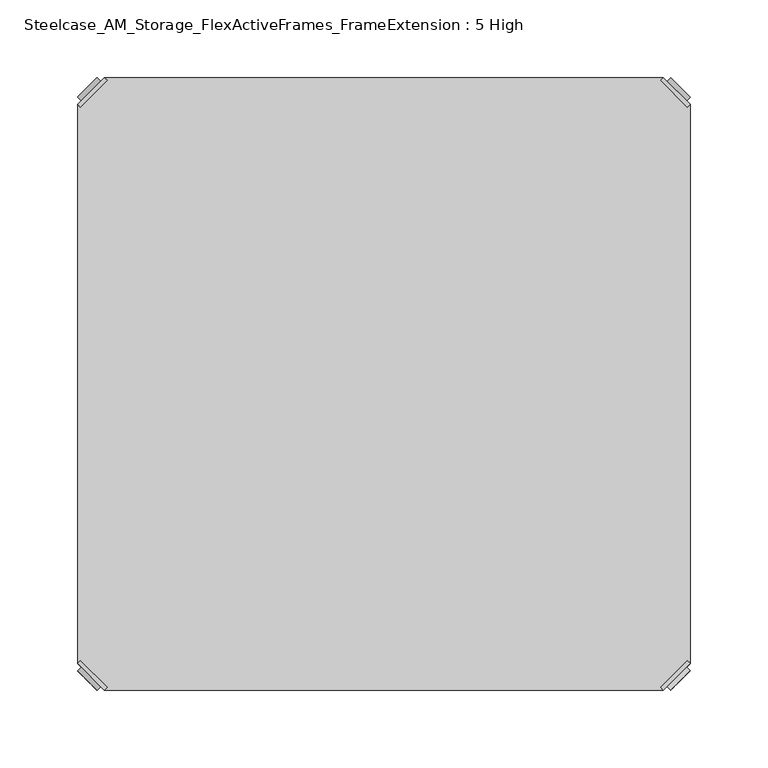
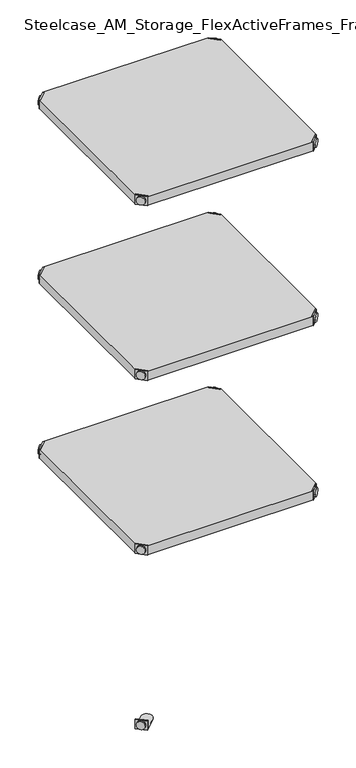
"""IFC4 building model written with IfcOpenShell, lengths in millimetres: furniture geometry, Steelcase_AM_Storage_FlexActiveFrames_FrameExtension : 5 High."""

from ifc_helpers import new_model, si_unit, frame, origin, place, context, project, spatial, polyline, circle_curve, outline, extrude, source, transform, mapped, element, save
from ifc_brep_helpers import plane_surface, cylinder_surface, advanced_brep


def steelcase_am_storage_flexactiveframes_frameextension_5_high_588fb9f3(model_context):
    return source(origin(), model_context, "Body", "SolidModel", [
        advanced_brep(
        [(2.54, -380.2870969, 1725.93), (19.7629031, -397.51, 1725.93), (21.5589544, -395.7139488, 1725.93), (4.3360512, -378.4910456, 1725.93), (2.54, -380.2870969, 1704.594), (19.7629031, -397.51, 1704.594), (4.8652723, -382.6123691, 1715.77), (17.4376309, -395.1847277, 1715.77), (30.2920522, -352.5350447, 1705.61), (4.3360512, -378.4910456, 1705.61), (21.5589544, -395.7139488, 1705.61), (47.5149553, -369.7579478, 1705.61), (30.2920522, -352.5350447, 1704.594), (47.5149553, -369.7579478, 1704.594), (15.1227513, -397.4996073, 1715.77), (2.5503927, -384.9272487, 1715.77)],
        [
            (0, 1),
            (1, 2),
            (2, 3),
            (3, 0),
            (0, 4),
            (4, 5),
            (5, 1),
            (6, 7, circle_curve(frame((11.1514516, -388.8985484, 1715.77), z_axis=(0.7071067811865446, 0.7071067811865505, 0.0), x_axis=(-0.7071067811865505, 0.7071067811865446, 0.0)), 8.89)),
            (7, 6, circle_curve(frame((11.1514516, -388.8985484, 1715.77), z_axis=(0.7071067811865446, 0.7071067811865505, 0.0), x_axis=(-0.7071067811865505, 0.7071067811865446, 0.0)), 8.89)),
            (8, 9),
            (9, 10),
            (10, 11),
            (11, 8, circle_curve(frame((38.9035037, -361.1464963, 1705.61), z_axis=(0.0, 0.0, 1.0), x_axis=(1.0, 0.0, 0.0)), 12.1784316)),
            (12, 13, circle_curve(frame((38.9035037, -361.1464963, 1704.594), z_axis=(0.0, 0.0, -1.0), x_axis=(1.0, 0.0, 0.0)), 12.1784316)),
            (13, 5),
            (4, 12),
            (14, 15, circle_curve(frame((8.836572, -391.213428, 1715.77), z_axis=(-0.7071067811865446, -0.7071067811865505, 0.0), x_axis=(-0.7071067811865505, 0.7071067811865446, 0.0)), 8.89)),
            (15, 14, circle_curve(frame((8.836572, -391.213428, 1715.77), z_axis=(-0.7071067811865446, -0.7071067811865505, 0.0), x_axis=(-0.7071067811865505, 0.7071067811865446, 0.0)), 8.89)),
            (15, 6),
            (7, 14),
            (2, 10),
            (9, 3),
            (11, 13),
            (12, 8),
        ],
        [
            plane_surface(frame((-19.6579872, -402.485084, 1725.93), z_axis=(0.0, 0.0, 1.0000000000000002), x_axis=(0.7071067811865436, 0.7071067811865516, 0.0))),
            plane_surface(frame((19.7629031, -397.51, 1725.93), z_axis=(-0.7071067811865447, -0.7071067811865503, 0.0), x_axis=(0.0, 0.0, -1.0))),
            plane_surface(frame((51.0819353, -361.1464963, 1705.61), z_axis=(0.0, 0.0, 1.0), x_axis=(0.0, -1.0, 0.0))),
            plane_surface(frame((51.0819353, -361.1464963, 1704.594), z_axis=(0.0, 0.0, -1.0), x_axis=(0.0, 1.0, 0.0))),
            plane_surface(frame((2.5503927, -384.9272487, 1715.77), z_axis=(-0.7071067811865446, -0.7071067811865505, 0.0), x_axis=(0.0, 0.0, 1.0))),
            cylinder_surface(frame((11.1514516, -388.8985484, 1715.77), z_axis=(-0.7071067811865446, -0.7071067811865505, 0.0), x_axis=(-0.7071067811865505, 0.7071067811865446, 0.0)), 8.89),
            plane_surface(frame((4.3360512, -378.4910456, 1725.93), z_axis=(0.7071067811865447, 0.7071067811865503, 0.0), x_axis=(0.0, 0.0, -1.0))),
            cylinder_surface(frame((38.9035037, -361.1464963, 1704.594), z_axis=(0.0, 0.0, 1.0), x_axis=(1.0, 0.0, 0.0)), 12.1784316),
            plane_surface(frame((2.54, -380.2870969, 1725.93), z_axis=(-0.7071067811865516, 0.7071067811865436, 0.0), x_axis=(0.0, 0.0, -1.0))),
            plane_surface(frame((21.5589544, -395.7139488, 1725.93), z_axis=(0.7071067811865513, -0.7071067811865437, 0.0), x_axis=(0.0, 0.0, -1.0))),
        ],
        [
            (0, [[1, 2, 3, 4]]),
            (1, [[5, 6, 7, -1], [8, 9]]),
            (2, [[10, 11, 12, 13]]),
            (3, [[14, 15, -6, 16]]),
            (4, [[17, 18]]),
            (5, [[19, -9, 20, -18]]),
            (5, [[-20, -8, -19, -17]]),
            (6, [[21, -11, 22, -3]]),
            (7, [[23, -14, 24, -13]]),
            (8, [[-22, -10, -24, -16, -5, -4]]),
            (9, [[-7, -15, -23, -12, -21, -2]]),
        ],
    ),
        advanced_brep(
        [(397.51, -380.2870969, 1725.93), (395.7139488, -378.4910456, 1725.93), (378.4910456, -395.7139488, 1725.93), (380.2870969, -397.51, 1725.93), (380.2870969, -397.51, 1704.594), (397.51, -380.2870969, 1704.594), (395.1847277, -382.6123691, 1715.77), (382.6123691, -395.1847277, 1715.77), (369.7579478, -352.5350447, 1705.61), (352.5350447, -369.7579478, 1705.61), (378.4910456, -395.7139488, 1705.61), (395.7139488, -378.4910456, 1705.61), (369.7579478, -352.5350447, 1704.594), (352.5350447, -369.7579478, 1704.594), (384.9272487, -397.4996073, 1715.77), (397.4996073, -384.9272487, 1715.77)],
        [
            (0, 1),
            (1, 2),
            (2, 3),
            (3, 0),
            (3, 4),
            (4, 5),
            (5, 0),
            (6, 7, circle_curve(frame((388.8985484, -388.8985484, 1715.77), z_axis=(-0.7071067811865446, 0.7071067811865505, 0.0), x_axis=(0.7071067811865505, 0.7071067811865446, 0.0)), 8.89)),
            (7, 6, circle_curve(frame((388.8985484, -388.8985484, 1715.77), z_axis=(-0.7071067811865446, 0.7071067811865505, 0.0), x_axis=(0.7071067811865505, 0.7071067811865446, 0.0)), 8.89)),
            (8, 9, circle_curve(frame((361.1464963, -361.1464963, 1705.61), z_axis=(0.0, 0.0, 1.0), x_axis=(-1.0, 0.0, 0.0)), 12.1784316)),
            (9, 10),
            (10, 11),
            (11, 8),
            (12, 5),
            (4, 13),
            (13, 12, circle_curve(frame((361.1464963, -361.1464963, 1704.594), z_axis=(0.0, 0.0, -1.0), x_axis=(-1.0, 0.0, 0.0)), 12.1784316)),
            (14, 15, circle_curve(frame((391.213428, -391.213428, 1715.77), z_axis=(0.7071067811865446, -0.7071067811865505, 0.0), x_axis=(0.7071067811865505, 0.7071067811865446, 0.0)), 8.89)),
            (15, 14, circle_curve(frame((391.213428, -391.213428, 1715.77), z_axis=(0.7071067811865446, -0.7071067811865505, 0.0), x_axis=(0.7071067811865505, 0.7071067811865446, 0.0)), 8.89)),
            (14, 7),
            (6, 15),
            (1, 11),
            (10, 2),
            (8, 12),
            (13, 9),
        ],
        [
            plane_surface(frame((419.7079872, -402.485084, 1725.93), z_axis=(0.0, 0.0, 1.0000000000000002), x_axis=(-0.7071067811865436, 0.7071067811865516, 0.0))),
            plane_surface(frame((380.2870969, -397.51, 1725.93), z_axis=(0.7071067811865447, -0.7071067811865503, 0.0), x_axis=(0.0, 0.0, -1.0))),
            plane_surface(frame((348.9680647, -361.1464963, 1705.61), z_axis=(0.0, 0.0, 1.0), x_axis=(0.0, -1.0, 0.0))),
            plane_surface(frame((348.9680647, -361.1464963, 1704.594), z_axis=(0.0, 0.0, -1.0), x_axis=(0.0, 1.0, 0.0))),
            plane_surface(frame((397.4996073, -384.9272487, 1715.77), z_axis=(0.7071067811865446, -0.7071067811865505, 0.0), x_axis=(0.0, 0.0, 1.0))),
            cylinder_surface(frame((388.8985484, -388.8985484, 1715.77), z_axis=(0.7071067811865446, -0.7071067811865505, 0.0), x_axis=(0.7071067811865505, 0.7071067811865446, 0.0)), 8.89),
            plane_surface(frame((395.7139488, -378.4910456, 1725.93), z_axis=(-0.7071067811865447, 0.7071067811865503, 0.0), x_axis=(0.0, 0.0, -1.0))),
            cylinder_surface(frame((361.1464963, -361.1464963, 1704.594), z_axis=(0.0, 0.0, 1.0), x_axis=(-1.0, 0.0, 0.0)), 12.1784316),
            plane_surface(frame((397.51, -380.2870969, 1725.93), z_axis=(0.7071067811865516, 0.7071067811865436, 0.0), x_axis=(0.0, 0.0, -1.0))),
            plane_surface(frame((378.4910456, -395.7139488, 1725.93), z_axis=(-0.7071067811865513, -0.7071067811865437, 0.0), x_axis=(0.0, 0.0, -1.0))),
        ],
        [
            (0, [[1, 2, 3, 4]]),
            (1, [[-4, 5, 6, 7], [8, 9]]),
            (2, [[10, 11, 12, 13]]),
            (3, [[14, -6, 15, 16]]),
            (4, [[17, 18]]),
            (5, [[-17, 19, -8, 20]]),
            (5, [[-18, -20, -9, -19]]),
            (6, [[-2, 21, -12, 22]]),
            (7, [[-10, 23, -16, 24]]),
            (8, [[-1, -7, -14, -23, -13, -21]]),
            (9, [[-3, -22, -11, -24, -15, -5]]),
        ],
    ),
        advanced_brep(
        [(397.51, -19.7629031, 1725.93), (380.2870969, -2.54, 1725.93), (378.4910456, -4.3360512, 1725.93), (395.7139488, -21.5589544, 1725.93), (397.51, -19.7629031, 1704.594), (380.2870969, -2.54, 1704.594), (395.1847277, -17.4376309, 1715.77), (382.6123691, -4.8652723, 1715.77), (369.7579478, -47.5149553, 1705.61), (395.7139488, -21.5589544, 1705.61), (378.4910456, -4.3360512, 1705.61), (352.5350447, -30.2920522, 1705.61), (369.7579478, -47.5149553, 1704.594), (352.5350447, -30.2920522, 1704.594), (384.9272487, -2.5503927, 1715.77), (397.4996073, -15.1227513, 1715.77)],
        [
            (0, 1),
            (1, 2),
            (2, 3),
            (3, 0),
            (0, 4),
            (4, 5),
            (5, 1),
            (6, 7, circle_curve(frame((388.8985484, -11.1514516, 1715.77), z_axis=(-0.7071067811865469, -0.7071067811865481, 0.0), x_axis=(0.7071067811865481, -0.7071067811865469, 0.0)), 8.89)),
            (7, 6, circle_curve(frame((388.8985484, -11.1514516, 1715.77), z_axis=(-0.7071067811865469, -0.7071067811865481, 0.0), x_axis=(0.7071067811865481, -0.7071067811865469, 0.0)), 8.89)),
            (8, 9),
            (9, 10),
            (10, 11),
            (11, 8, circle_curve(frame((361.1464963, -38.9035037, 1705.61), z_axis=(0.0, 0.0, 1.0), x_axis=(-1.0, 0.0, 0.0)), 12.1784316)),
            (12, 13, circle_curve(frame((361.1464963, -38.9035037, 1704.594), z_axis=(0.0, 0.0, -1.0), x_axis=(-1.0, 0.0, 0.0)), 12.1784316)),
            (13, 5),
            (4, 12),
            (14, 15, circle_curve(frame((391.213428, -8.836572, 1715.77), z_axis=(0.7071067811865469, 0.7071067811865481, 0.0), x_axis=(0.7071067811865481, -0.7071067811865469, 0.0)), 8.89)),
            (15, 14, circle_curve(frame((391.213428, -8.836572, 1715.77), z_axis=(0.7071067811865469, 0.7071067811865481, 0.0), x_axis=(0.7071067811865481, -0.7071067811865469, 0.0)), 8.89)),
            (15, 6),
            (7, 14),
            (2, 10),
            (9, 3),
            (11, 13),
            (12, 8),
        ],
        [
            plane_surface(frame((419.7079872, 2.435084, 1725.93), z_axis=(0.0, 0.0, 1.0000000000000002), x_axis=(-0.7071067811865459, -0.7071067811865492, 0.0))),
            plane_surface(frame((380.2870969, -2.54, 1725.93), z_axis=(0.707106781186547, 0.707106781186548, 0.0), x_axis=(0.0, 0.0, -1.0))),
            plane_surface(frame((348.9680647, -38.9035037, 1705.61), z_axis=(0.0, 0.0, 1.0), x_axis=(0.0, 1.0, 0.0))),
            plane_surface(frame((348.9680647, -38.9035037, 1704.594), z_axis=(0.0, 0.0, -1.0), x_axis=(0.0, -1.0, 0.0))),
            plane_surface(frame((397.4996073, -15.1227513, 1715.77), z_axis=(0.7071067811865469, 0.7071067811865481, 0.0), x_axis=(0.0, 0.0, 1.0))),
            cylinder_surface(frame((388.8985484, -11.1514516, 1715.77), z_axis=(0.7071067811865469, 0.7071067811865481, 0.0), x_axis=(0.7071067811865481, -0.7071067811865469, 0.0)), 8.89),
            plane_surface(frame((395.7139488, -21.5589544, 1725.93), z_axis=(-0.707106781186547, -0.707106781186548, 0.0), x_axis=(0.0, 0.0, -1.0))),
            cylinder_surface(frame((361.1464963, -38.9035037, 1704.594), z_axis=(0.0, 0.0, 1.0), x_axis=(-1.0, 0.0, 0.0)), 12.1784316),
            plane_surface(frame((397.51, -19.7629031, 1725.93), z_axis=(0.7071067811865492, -0.7071067811865459, 0.0), x_axis=(0.0, 0.0, -1.0))),
            plane_surface(frame((378.4910456, -4.3360512, 1725.93), z_axis=(-0.707106781186549, 0.707106781186546, 0.0), x_axis=(0.0, 0.0, -1.0))),
        ],
        [
            (0, [[1, 2, 3, 4]]),
            (1, [[5, 6, 7, -1], [8, 9]]),
            (2, [[10, 11, 12, 13]]),
            (3, [[14, 15, -6, 16]]),
            (4, [[17, 18]]),
            (5, [[19, -9, 20, -18]]),
            (5, [[-20, -8, -19, -17]]),
            (6, [[21, -11, 22, -3]]),
            (7, [[23, -14, 24, -13]]),
            (8, [[-22, -10, -24, -16, -5, -4]]),
            (9, [[-7, -15, -23, -12, -21, -2]]),
        ],
    ),
        advanced_brep(
        [(2.54, -19.7629031, 1725.93), (4.3360512, -21.5589544, 1725.93), (21.5589544, -4.3360512, 1725.93), (19.7629031, -2.54, 1725.93), (19.7629031, -2.54, 1704.594), (2.54, -19.7629031, 1704.594), (4.8652723, -17.4376309, 1715.77), (17.4376309, -4.8652723, 1715.77), (30.2920522, -47.5149553, 1705.61), (47.5149553, -30.2920522, 1705.61), (21.5589544, -4.3360512, 1705.61), (4.3360512, -21.5589544, 1705.61), (30.2920522, -47.5149553, 1704.594), (47.5149553, -30.2920522, 1704.594), (15.1227513, -2.5503927, 1715.77), (2.5503927, -15.1227513, 1715.77)],
        [
            (0, 1),
            (1, 2),
            (2, 3),
            (3, 0),
            (3, 4),
            (4, 5),
            (5, 0),
            (6, 7, circle_curve(frame((11.1514516, -11.1514516, 1715.77), z_axis=(0.7071067811865469, -0.7071067811865481, 0.0), x_axis=(-0.7071067811865481, -0.7071067811865469, 0.0)), 8.89)),
            (7, 6, circle_curve(frame((11.1514516, -11.1514516, 1715.77), z_axis=(0.7071067811865469, -0.7071067811865481, 0.0), x_axis=(-0.7071067811865481, -0.7071067811865469, 0.0)), 8.89)),
            (8, 9, circle_curve(frame((38.9035037, -38.9035037, 1705.61), z_axis=(0.0, 0.0, 1.0), x_axis=(1.0, 0.0, 0.0)), 12.1784316)),
            (9, 10),
            (10, 11),
            (11, 8),
            (12, 5),
            (4, 13),
            (13, 12, circle_curve(frame((38.9035037, -38.9035037, 1704.594), z_axis=(0.0, 0.0, -1.0), x_axis=(1.0, 0.0, 0.0)), 12.1784316)),
            (14, 15, circle_curve(frame((8.836572, -8.836572, 1715.77), z_axis=(-0.7071067811865469, 0.7071067811865481, 0.0), x_axis=(-0.7071067811865481, -0.7071067811865469, 0.0)), 8.89)),
            (15, 14, circle_curve(frame((8.836572, -8.836572, 1715.77), z_axis=(-0.7071067811865469, 0.7071067811865481, 0.0), x_axis=(-0.7071067811865481, -0.7071067811865469, 0.0)), 8.89)),
            (14, 7),
            (6, 15),
            (1, 11),
            (10, 2),
            (8, 12),
            (13, 9),
        ],
        [
            plane_surface(frame((-19.6579872, 2.435084, 1725.93), z_axis=(0.0, 0.0, 1.0000000000000002), x_axis=(0.7071067811865459, -0.7071067811865492, 0.0))),
            plane_surface(frame((19.7629031, -2.54, 1725.93), z_axis=(-0.707106781186547, 0.707106781186548, 0.0), x_axis=(0.0, 0.0, -1.0))),
            plane_surface(frame((51.0819353, -38.9035037, 1705.61), z_axis=(0.0, 0.0, 1.0), x_axis=(0.0, 1.0, 0.0))),
            plane_surface(frame((51.0819353, -38.9035037, 1704.594), z_axis=(0.0, 0.0, -1.0), x_axis=(0.0, -1.0, 0.0))),
            plane_surface(frame((2.5503927, -15.1227513, 1715.77), z_axis=(-0.7071067811865469, 0.7071067811865481, 0.0), x_axis=(0.0, 0.0, 1.0))),
            cylinder_surface(frame((11.1514516, -11.1514516, 1715.77), z_axis=(-0.7071067811865469, 0.7071067811865481, 0.0), x_axis=(-0.7071067811865481, -0.7071067811865469, 0.0)), 8.89),
            plane_surface(frame((4.3360512, -21.5589544, 1725.93), z_axis=(0.707106781186547, -0.707106781186548, 0.0), x_axis=(0.0, 0.0, -1.0))),
            cylinder_surface(frame((38.9035037, -38.9035037, 1704.594), z_axis=(0.0, 0.0, 1.0), x_axis=(1.0, 0.0, 0.0)), 12.1784316),
            plane_surface(frame((2.54, -19.7629031, 1725.93), z_axis=(-0.7071067811865492, -0.7071067811865459, 0.0), x_axis=(0.0, 0.0, -1.0))),
            plane_surface(frame((21.5589544, -4.3360512, 1725.93), z_axis=(0.707106781186549, 0.707106781186546, 0.0), x_axis=(0.0, 0.0, -1.0))),
        ],
        [
            (0, [[1, 2, 3, 4]]),
            (1, [[-4, 5, 6, 7], [8, 9]]),
            (2, [[10, 11, 12, 13]]),
            (3, [[14, -6, 15, 16]]),
            (4, [[17, 18]]),
            (5, [[-17, 19, -8, 20]]),
            (5, [[-18, -20, -9, -19]]),
            (6, [[-2, 21, -12, 22]]),
            (7, [[-10, 23, -16, 24]]),
            (8, [[-1, -7, -14, -23, -13, -21]]),
            (9, [[-3, -22, -11, -24, -15, -5]]),
        ],
    ),
        extrude(outline(polyline([(19.7629031, -2.54), (380.2870969, -2.54), (378.4910456, -4.3360512), (395.7139488, -21.5589544), (397.51, -19.7629031), (397.51, -380.2870969), (395.7139488, -378.4910456), (378.4910456, -395.7139488), (380.2870969, -397.51), (19.7629031, -397.51), (21.5589544, -395.7139488), (4.3360512, -378.4910456), (2.54, -380.2870969), (2.54, -19.7629031), (4.3360512, -21.5589544), (21.5589544, -4.3360512), (19.7629031, -2.54)])), frame((0.0, 0.0, 1705.61), z_axis=(0.0, 0.0, 1.0), x_axis=(1.0, 0.0, 0.0)), (0.0, 0.0, 1.0), 20.32),
        advanced_brep(
        [(2.54, -380.2870969, 1324.61), (19.7629031, -397.51, 1324.61), (21.5589544, -395.7139488, 1324.61), (4.3360512, -378.4910456, 1324.61), (2.54, -380.2870969, 1303.274), (19.7629031, -397.51, 1303.274), (4.8652723, -382.6123691, 1314.45), (17.4376309, -395.1847277, 1314.45), (30.2920522, -352.5350447, 1304.29), (4.3360512, -378.4910456, 1304.29), (21.5589544, -395.7139488, 1304.29), (47.5149553, -369.7579478, 1304.29), (30.2920522, -352.5350447, 1303.274), (47.5149553, -369.7579478, 1303.274), (15.1227513, -397.4996073, 1314.45), (2.5503927, -384.9272487, 1314.45)],
        [
            (0, 1),
            (1, 2),
            (2, 3),
            (3, 0),
            (0, 4),
            (4, 5),
            (5, 1),
            (6, 7, circle_curve(frame((11.1514516, -388.8985484, 1314.45), z_axis=(0.7071067811865446, 0.7071067811865505, 0.0), x_axis=(-0.7071067811865505, 0.7071067811865446, 0.0)), 8.89)),
            (7, 6, circle_curve(frame((11.1514516, -388.8985484, 1314.45), z_axis=(0.7071067811865446, 0.7071067811865505, 0.0), x_axis=(-0.7071067811865505, 0.7071067811865446, 0.0)), 8.89)),
            (8, 9),
            (9, 10),
            (10, 11),
            (11, 8, circle_curve(frame((38.9035037, -361.1464963, 1304.29), z_axis=(0.0, 0.0, 1.0), x_axis=(1.0, 0.0, 0.0)), 12.1784316)),
            (12, 13, circle_curve(frame((38.9035037, -361.1464963, 1303.274), z_axis=(0.0, 0.0, -1.0), x_axis=(1.0, 0.0, 0.0)), 12.1784316)),
            (13, 5),
            (4, 12),
            (14, 15, circle_curve(frame((8.836572, -391.213428, 1314.45), z_axis=(-0.7071067811865446, -0.7071067811865505, 0.0), x_axis=(-0.7071067811865505, 0.7071067811865446, 0.0)), 8.89)),
            (15, 14, circle_curve(frame((8.836572, -391.213428, 1314.45), z_axis=(-0.7071067811865446, -0.7071067811865505, 0.0), x_axis=(-0.7071067811865505, 0.7071067811865446, 0.0)), 8.89)),
            (15, 6),
            (7, 14),
            (2, 10),
            (9, 3),
            (11, 13),
            (12, 8),
        ],
        [
            plane_surface(frame((-19.6579872, -402.485084, 1324.61), z_axis=(0.0, 0.0, 1.0000000000000002), x_axis=(0.7071067811865436, 0.7071067811865516, 0.0))),
            plane_surface(frame((19.7629031, -397.51, 1324.61), z_axis=(-0.7071067811865447, -0.7071067811865503, 0.0), x_axis=(0.0, 0.0, -1.0))),
            plane_surface(frame((51.0819353, -361.1464963, 1304.29), z_axis=(0.0, 0.0, 1.0), x_axis=(0.0, -1.0, 0.0))),
            plane_surface(frame((51.0819353, -361.1464963, 1303.274), z_axis=(0.0, 0.0, -1.0), x_axis=(0.0, 1.0, 0.0))),
            plane_surface(frame((2.5503927, -384.9272487, 1314.45), z_axis=(-0.7071067811865446, -0.7071067811865505, 0.0), x_axis=(0.0, 0.0, 1.0))),
            cylinder_surface(frame((11.1514516, -388.8985484, 1314.45), z_axis=(-0.7071067811865446, -0.7071067811865505, 0.0), x_axis=(-0.7071067811865505, 0.7071067811865446, 0.0)), 8.89),
            plane_surface(frame((4.3360512, -378.4910456, 1324.61), z_axis=(0.7071067811865447, 0.7071067811865503, 0.0), x_axis=(0.0, 0.0, -1.0))),
            cylinder_surface(frame((38.9035037, -361.1464963, 1303.274), z_axis=(0.0, 0.0, 1.0), x_axis=(1.0, 0.0, 0.0)), 12.1784316),
            plane_surface(frame((2.54, -380.2870969, 1324.61), z_axis=(-0.7071067811865516, 0.7071067811865436, 0.0), x_axis=(0.0, 0.0, -1.0))),
            plane_surface(frame((21.5589544, -395.7139488, 1324.61), z_axis=(0.7071067811865513, -0.7071067811865437, 0.0), x_axis=(0.0, 0.0, -1.0))),
        ],
        [
            (0, [[1, 2, 3, 4]]),
            (1, [[5, 6, 7, -1], [8, 9]]),
            (2, [[10, 11, 12, 13]]),
            (3, [[14, 15, -6, 16]]),
            (4, [[17, 18]]),
            (5, [[19, -9, 20, -18]]),
            (5, [[-20, -8, -19, -17]]),
            (6, [[21, -11, 22, -3]]),
            (7, [[23, -14, 24, -13]]),
            (8, [[-22, -10, -24, -16, -5, -4]]),
            (9, [[-7, -15, -23, -12, -21, -2]]),
        ],
    ),
        advanced_brep(
        [(397.51, -380.2870969, 1324.61), (395.7139488, -378.4910456, 1324.61), (378.4910456, -395.7139488, 1324.61), (380.2870969, -397.51, 1324.61), (380.2870969, -397.51, 1303.274), (397.51, -380.2870969, 1303.274), (395.1847277, -382.6123691, 1314.45), (382.6123691, -395.1847277, 1314.45), (369.7579478, -352.5350447, 1304.29), (352.5350447, -369.7579478, 1304.29), (378.4910456, -395.7139488, 1304.29), (395.7139488, -378.4910456, 1304.29), (369.7579478, -352.5350447, 1303.274), (352.5350447, -369.7579478, 1303.274), (384.9272487, -397.4996073, 1314.45), (397.4996073, -384.9272487, 1314.45)],
        [
            (0, 1),
            (1, 2),
            (2, 3),
            (3, 0),
            (3, 4),
            (4, 5),
            (5, 0),
            (6, 7, circle_curve(frame((388.8985484, -388.8985484, 1314.45), z_axis=(-0.7071067811865446, 0.7071067811865505, 0.0), x_axis=(0.7071067811865505, 0.7071067811865446, 0.0)), 8.89)),
            (7, 6, circle_curve(frame((388.8985484, -388.8985484, 1314.45), z_axis=(-0.7071067811865446, 0.7071067811865505, 0.0), x_axis=(0.7071067811865505, 0.7071067811865446, 0.0)), 8.89)),
            (8, 9, circle_curve(frame((361.1464963, -361.1464963, 1304.29), z_axis=(0.0, 0.0, 1.0), x_axis=(-1.0, 0.0, 0.0)), 12.1784316)),
            (9, 10),
            (10, 11),
            (11, 8),
            (12, 5),
            (4, 13),
            (13, 12, circle_curve(frame((361.1464963, -361.1464963, 1303.274), z_axis=(0.0, 0.0, -1.0), x_axis=(-1.0, 0.0, 0.0)), 12.1784316)),
            (14, 15, circle_curve(frame((391.213428, -391.213428, 1314.45), z_axis=(0.7071067811865446, -0.7071067811865505, 0.0), x_axis=(0.7071067811865505, 0.7071067811865446, 0.0)), 8.89)),
            (15, 14, circle_curve(frame((391.213428, -391.213428, 1314.45), z_axis=(0.7071067811865446, -0.7071067811865505, 0.0), x_axis=(0.7071067811865505, 0.7071067811865446, 0.0)), 8.89)),
            (14, 7),
            (6, 15),
            (1, 11),
            (10, 2),
            (8, 12),
            (13, 9),
        ],
        [
            plane_surface(frame((419.7079872, -402.485084, 1324.61), z_axis=(0.0, 0.0, 1.0000000000000002), x_axis=(-0.7071067811865436, 0.7071067811865516, 0.0))),
            plane_surface(frame((380.2870969, -397.51, 1324.61), z_axis=(0.7071067811865447, -0.7071067811865503, 0.0), x_axis=(0.0, 0.0, -1.0))),
            plane_surface(frame((348.9680647, -361.1464963, 1304.29), z_axis=(0.0, 0.0, 1.0), x_axis=(0.0, -1.0, 0.0))),
            plane_surface(frame((348.9680647, -361.1464963, 1303.274), z_axis=(0.0, 0.0, -1.0), x_axis=(0.0, 1.0, 0.0))),
            plane_surface(frame((397.4996073, -384.9272487, 1314.45), z_axis=(0.7071067811865446, -0.7071067811865505, 0.0), x_axis=(0.0, 0.0, 1.0))),
            cylinder_surface(frame((388.8985484, -388.8985484, 1314.45), z_axis=(0.7071067811865446, -0.7071067811865505, 0.0), x_axis=(0.7071067811865505, 0.7071067811865446, 0.0)), 8.89),
            plane_surface(frame((395.7139488, -378.4910456, 1324.61), z_axis=(-0.7071067811865447, 0.7071067811865503, 0.0), x_axis=(0.0, 0.0, -1.0))),
            cylinder_surface(frame((361.1464963, -361.1464963, 1303.274), z_axis=(0.0, 0.0, 1.0), x_axis=(-1.0, 0.0, 0.0)), 12.1784316),
            plane_surface(frame((397.51, -380.2870969, 1324.61), z_axis=(0.7071067811865516, 0.7071067811865436, 0.0), x_axis=(0.0, 0.0, -1.0))),
            plane_surface(frame((378.4910456, -395.7139488, 1324.61), z_axis=(-0.7071067811865513, -0.7071067811865437, 0.0), x_axis=(0.0, 0.0, -1.0))),
        ],
        [
            (0, [[1, 2, 3, 4]]),
            (1, [[-4, 5, 6, 7], [8, 9]]),
            (2, [[10, 11, 12, 13]]),
            (3, [[14, -6, 15, 16]]),
            (4, [[17, 18]]),
            (5, [[-17, 19, -8, 20]]),
            (5, [[-18, -20, -9, -19]]),
            (6, [[-2, 21, -12, 22]]),
            (7, [[-10, 23, -16, 24]]),
            (8, [[-1, -7, -14, -23, -13, -21]]),
            (9, [[-3, -22, -11, -24, -15, -5]]),
        ],
    ),
        advanced_brep(
        [(397.51, -19.7629031, 1324.61), (380.2870969, -2.54, 1324.61), (378.4910456, -4.3360512, 1324.61), (395.7139488, -21.5589544, 1324.61), (397.51, -19.7629031, 1303.274), (380.2870969, -2.54, 1303.274), (395.1847277, -17.4376309, 1314.45), (382.6123691, -4.8652723, 1314.45), (369.7579478, -47.5149553, 1304.29), (395.7139488, -21.5589544, 1304.29), (378.4910456, -4.3360512, 1304.29), (352.5350447, -30.2920522, 1304.29), (369.7579478, -47.5149553, 1303.274), (352.5350447, -30.2920522, 1303.274), (384.9272487, -2.5503927, 1314.45), (397.4996073, -15.1227513, 1314.45)],
        [
            (0, 1),
            (1, 2),
            (2, 3),
            (3, 0),
            (0, 4),
            (4, 5),
            (5, 1),
            (6, 7, circle_curve(frame((388.8985484, -11.1514516, 1314.45), z_axis=(-0.7071067811865469, -0.7071067811865481, 0.0), x_axis=(0.7071067811865481, -0.7071067811865469, 0.0)), 8.89)),
            (7, 6, circle_curve(frame((388.8985484, -11.1514516, 1314.45), z_axis=(-0.7071067811865469, -0.7071067811865481, 0.0), x_axis=(0.7071067811865481, -0.7071067811865469, 0.0)), 8.89)),
            (8, 9),
            (9, 10),
            (10, 11),
            (11, 8, circle_curve(frame((361.1464963, -38.9035037, 1304.29), z_axis=(0.0, 0.0, 1.0), x_axis=(-1.0, 0.0, 0.0)), 12.1784316)),
            (12, 13, circle_curve(frame((361.1464963, -38.9035037, 1303.274), z_axis=(0.0, 0.0, -1.0), x_axis=(-1.0, 0.0, 0.0)), 12.1784316)),
            (13, 5),
            (4, 12),
            (14, 15, circle_curve(frame((391.213428, -8.836572, 1314.45), z_axis=(0.7071067811865469, 0.7071067811865481, 0.0), x_axis=(0.7071067811865481, -0.7071067811865469, 0.0)), 8.89)),
            (15, 14, circle_curve(frame((391.213428, -8.836572, 1314.45), z_axis=(0.7071067811865469, 0.7071067811865481, 0.0), x_axis=(0.7071067811865481, -0.7071067811865469, 0.0)), 8.89)),
            (15, 6),
            (7, 14),
            (2, 10),
            (9, 3),
            (11, 13),
            (12, 8),
        ],
        [
            plane_surface(frame((419.7079872, 2.435084, 1324.61), z_axis=(0.0, 0.0, 1.0000000000000002), x_axis=(-0.7071067811865459, -0.7071067811865492, 0.0))),
            plane_surface(frame((380.2870969, -2.54, 1324.61), z_axis=(0.707106781186547, 0.707106781186548, 0.0), x_axis=(0.0, 0.0, -1.0))),
            plane_surface(frame((348.9680647, -38.9035037, 1304.29), z_axis=(0.0, 0.0, 1.0), x_axis=(0.0, 1.0, 0.0))),
            plane_surface(frame((348.9680647, -38.9035037, 1303.274), z_axis=(0.0, 0.0, -1.0), x_axis=(0.0, -1.0, 0.0))),
            plane_surface(frame((397.4996073, -15.1227513, 1314.45), z_axis=(0.7071067811865469, 0.7071067811865481, 0.0), x_axis=(0.0, 0.0, 1.0))),
            cylinder_surface(frame((388.8985484, -11.1514516, 1314.45), z_axis=(0.7071067811865469, 0.7071067811865481, 0.0), x_axis=(0.7071067811865481, -0.7071067811865469, 0.0)), 8.89),
            plane_surface(frame((395.7139488, -21.5589544, 1324.61), z_axis=(-0.707106781186547, -0.707106781186548, 0.0), x_axis=(0.0, 0.0, -1.0))),
            cylinder_surface(frame((361.1464963, -38.9035037, 1303.274), z_axis=(0.0, 0.0, 1.0), x_axis=(-1.0, 0.0, 0.0)), 12.1784316),
            plane_surface(frame((397.51, -19.7629031, 1324.61), z_axis=(0.7071067811865492, -0.7071067811865459, 0.0), x_axis=(0.0, 0.0, -1.0))),
            plane_surface(frame((378.4910456, -4.3360512, 1324.61), z_axis=(-0.707106781186549, 0.707106781186546, 0.0), x_axis=(0.0, 0.0, -1.0))),
        ],
        [
            (0, [[1, 2, 3, 4]]),
            (1, [[5, 6, 7, -1], [8, 9]]),
            (2, [[10, 11, 12, 13]]),
            (3, [[14, 15, -6, 16]]),
            (4, [[17, 18]]),
            (5, [[19, -9, 20, -18]]),
            (5, [[-20, -8, -19, -17]]),
            (6, [[21, -11, 22, -3]]),
            (7, [[23, -14, 24, -13]]),
            (8, [[-22, -10, -24, -16, -5, -4]]),
            (9, [[-7, -15, -23, -12, -21, -2]]),
        ],
    ),
        advanced_brep(
        [(2.54, -19.7629031, 1324.61), (4.3360512, -21.5589544, 1324.61), (21.5589544, -4.3360512, 1324.61), (19.7629031, -2.54, 1324.61), (19.7629031, -2.54, 1303.274), (2.54, -19.7629031, 1303.274), (4.8652723, -17.4376309, 1314.45), (17.4376309, -4.8652723, 1314.45), (30.2920522, -47.5149553, 1304.29), (47.5149553, -30.2920522, 1304.29), (21.5589544, -4.3360512, 1304.29), (4.3360512, -21.5589544, 1304.29), (30.2920522, -47.5149553, 1303.274), (47.5149553, -30.2920522, 1303.274), (15.1227513, -2.5503927, 1314.45), (2.5503927, -15.1227513, 1314.45)],
        [
            (0, 1),
            (1, 2),
            (2, 3),
            (3, 0),
            (3, 4),
            (4, 5),
            (5, 0),
            (6, 7, circle_curve(frame((11.1514516, -11.1514516, 1314.45), z_axis=(0.7071067811865469, -0.7071067811865481, 0.0), x_axis=(-0.7071067811865481, -0.7071067811865469, 0.0)), 8.89)),
            (7, 6, circle_curve(frame((11.1514516, -11.1514516, 1314.45), z_axis=(0.7071067811865469, -0.7071067811865481, 0.0), x_axis=(-0.7071067811865481, -0.7071067811865469, 0.0)), 8.89)),
            (8, 9, circle_curve(frame((38.9035037, -38.9035037, 1304.29), z_axis=(0.0, 0.0, 1.0), x_axis=(1.0, 0.0, 0.0)), 12.1784316)),
            (9, 10),
            (10, 11),
            (11, 8),
            (12, 5),
            (4, 13),
            (13, 12, circle_curve(frame((38.9035037, -38.9035037, 1303.274), z_axis=(0.0, 0.0, -1.0), x_axis=(1.0, 0.0, 0.0)), 12.1784316)),
            (14, 15, circle_curve(frame((8.836572, -8.836572, 1314.45), z_axis=(-0.7071067811865469, 0.7071067811865481, 0.0), x_axis=(-0.7071067811865481, -0.7071067811865469, 0.0)), 8.89)),
            (15, 14, circle_curve(frame((8.836572, -8.836572, 1314.45), z_axis=(-0.7071067811865469, 0.7071067811865481, 0.0), x_axis=(-0.7071067811865481, -0.7071067811865469, 0.0)), 8.89)),
            (14, 7),
            (6, 15),
            (1, 11),
            (10, 2),
            (8, 12),
            (13, 9),
        ],
        [
            plane_surface(frame((-19.6579872, 2.435084, 1324.61), z_axis=(0.0, 0.0, 1.0000000000000002), x_axis=(0.7071067811865459, -0.7071067811865492, 0.0))),
            plane_surface(frame((19.7629031, -2.54, 1324.61), z_axis=(-0.707106781186547, 0.707106781186548, 0.0), x_axis=(0.0, 0.0, -1.0))),
            plane_surface(frame((51.0819353, -38.9035037, 1304.29), z_axis=(0.0, 0.0, 1.0), x_axis=(0.0, 1.0, 0.0))),
            plane_surface(frame((51.0819353, -38.9035037, 1303.274), z_axis=(0.0, 0.0, -1.0), x_axis=(0.0, -1.0, 0.0))),
            plane_surface(frame((2.5503927, -15.1227513, 1314.45), z_axis=(-0.7071067811865469, 0.7071067811865481, 0.0), x_axis=(0.0, 0.0, 1.0))),
            cylinder_surface(frame((11.1514516, -11.1514516, 1314.45), z_axis=(-0.7071067811865469, 0.7071067811865481, 0.0), x_axis=(-0.7071067811865481, -0.7071067811865469, 0.0)), 8.89),
            plane_surface(frame((4.3360512, -21.5589544, 1324.61), z_axis=(0.707106781186547, -0.707106781186548, 0.0), x_axis=(0.0, 0.0, -1.0))),
            cylinder_surface(frame((38.9035037, -38.9035037, 1303.274), z_axis=(0.0, 0.0, 1.0), x_axis=(1.0, 0.0, 0.0)), 12.1784316),
            plane_surface(frame((2.54, -19.7629031, 1324.61), z_axis=(-0.7071067811865492, -0.7071067811865459, 0.0), x_axis=(0.0, 0.0, -1.0))),
            plane_surface(frame((21.5589544, -4.3360512, 1324.61), z_axis=(0.707106781186549, 0.707106781186546, 0.0), x_axis=(0.0, 0.0, -1.0))),
        ],
        [
            (0, [[1, 2, 3, 4]]),
            (1, [[-4, 5, 6, 7], [8, 9]]),
            (2, [[10, 11, 12, 13]]),
            (3, [[14, -6, 15, 16]]),
            (4, [[17, 18]]),
            (5, [[-17, 19, -8, 20]]),
            (5, [[-18, -20, -9, -19]]),
            (6, [[-2, 21, -12, 22]]),
            (7, [[-10, 23, -16, 24]]),
            (8, [[-1, -7, -14, -23, -13, -21]]),
            (9, [[-3, -22, -11, -24, -15, -5]]),
        ],
    ),
        extrude(outline(polyline([(19.7629031, -2.54), (380.2870969, -2.54), (378.4910456, -4.3360512), (395.7139488, -21.5589544), (397.51, -19.7629031), (397.51, -380.2870969), (395.7139488, -378.4910456), (378.4910456, -395.7139488), (380.2870969, -397.51), (19.7629031, -397.51), (21.5589544, -395.7139488), (4.3360512, -378.4910456), (2.54, -380.2870969), (2.54, -19.7629031), (4.3360512, -21.5589544), (21.5589544, -4.3360512), (19.7629031, -2.54)])), frame((0.0, 0.0, 1304.29), z_axis=(0.0, 0.0, 1.0), x_axis=(1.0, 0.0, 0.0)), (0.0, 0.0, 1.0), 20.32),
        advanced_brep(
        [(2.54, -380.2870969, 923.29), (19.7629031, -397.51, 923.29), (21.5589544, -395.7139488, 923.29), (4.3360512, -378.4910456, 923.29), (2.54, -380.2870969, 901.954), (19.7629031, -397.51, 901.954), (4.8652723, -382.6123691, 913.13), (17.4376309, -395.1847277, 913.13), (30.2920522, -352.5350447, 902.97), (4.3360512, -378.4910456, 902.97), (21.5589544, -395.7139488, 902.97), (47.5149553, -369.7579478, 902.97), (30.2920522, -352.5350447, 901.954), (47.5149553, -369.7579478, 901.954), (15.1227513, -397.4996073, 913.13), (2.5503927, -384.9272487, 913.13)],
        [
            (0, 1),
            (1, 2),
            (2, 3),
            (3, 0),
            (0, 4),
            (4, 5),
            (5, 1),
            (6, 7, circle_curve(frame((11.1514516, -388.8985484, 913.13), z_axis=(0.7071067811865446, 0.7071067811865505, 0.0), x_axis=(-0.7071067811865505, 0.7071067811865446, 0.0)), 8.89)),
            (7, 6, circle_curve(frame((11.1514516, -388.8985484, 913.13), z_axis=(0.7071067811865446, 0.7071067811865505, 0.0), x_axis=(-0.7071067811865505, 0.7071067811865446, 0.0)), 8.89)),
            (8, 9),
            (9, 10),
            (10, 11),
            (11, 8, circle_curve(frame((38.9035037, -361.1464963, 902.97), z_axis=(0.0, 0.0, 1.0), x_axis=(1.0, 0.0, 0.0)), 12.1784316)),
            (12, 13, circle_curve(frame((38.9035037, -361.1464963, 901.954), z_axis=(0.0, 0.0, -1.0), x_axis=(1.0, 0.0, 0.0)), 12.1784316)),
            (13, 5),
            (4, 12),
            (14, 15, circle_curve(frame((8.836572, -391.213428, 913.13), z_axis=(-0.7071067811865446, -0.7071067811865505, 0.0), x_axis=(-0.7071067811865505, 0.7071067811865446, 0.0)), 8.89)),
            (15, 14, circle_curve(frame((8.836572, -391.213428, 913.13), z_axis=(-0.7071067811865446, -0.7071067811865505, 0.0), x_axis=(-0.7071067811865505, 0.7071067811865446, 0.0)), 8.89)),
            (15, 6),
            (7, 14),
            (2, 10),
            (9, 3),
            (11, 13),
            (12, 8),
        ],
        [
            plane_surface(frame((-19.6579872, -402.485084, 923.29), z_axis=(0.0, 0.0, 1.0000000000000002), x_axis=(0.7071067811865436, 0.7071067811865516, 0.0))),
            plane_surface(frame((19.7629031, -397.51, 923.29), z_axis=(-0.7071067811865447, -0.7071067811865503, 0.0), x_axis=(0.0, 0.0, -1.0))),
            plane_surface(frame((51.0819353, -361.1464963, 902.97), z_axis=(0.0, 0.0, 1.0), x_axis=(0.0, -1.0, 0.0))),
            plane_surface(frame((51.0819353, -361.1464963, 901.954), z_axis=(0.0, 0.0, -1.0), x_axis=(0.0, 1.0, 0.0))),
            plane_surface(frame((2.5503927, -384.9272487, 913.13), z_axis=(-0.7071067811865446, -0.7071067811865505, 0.0), x_axis=(0.0, 0.0, 1.0))),
            cylinder_surface(frame((11.1514516, -388.8985484, 913.13), z_axis=(-0.7071067811865446, -0.7071067811865505, 0.0), x_axis=(-0.7071067811865505, 0.7071067811865446, 0.0)), 8.89),
            plane_surface(frame((4.3360512, -378.4910456, 923.29), z_axis=(0.7071067811865447, 0.7071067811865503, 0.0), x_axis=(0.0, 0.0, -1.0))),
            cylinder_surface(frame((38.9035037, -361.1464963, 901.954), z_axis=(0.0, 0.0, 1.0), x_axis=(1.0, 0.0, 0.0)), 12.1784316),
            plane_surface(frame((2.54, -380.2870969, 923.29), z_axis=(-0.7071067811865516, 0.7071067811865436, 0.0), x_axis=(0.0, 0.0, -1.0))),
            plane_surface(frame((21.5589544, -395.7139488, 923.29), z_axis=(0.7071067811865513, -0.7071067811865437, 0.0), x_axis=(0.0, 0.0, -1.0))),
        ],
        [
            (0, [[1, 2, 3, 4]]),
            (1, [[5, 6, 7, -1], [8, 9]]),
            (2, [[10, 11, 12, 13]]),
            (3, [[14, 15, -6, 16]]),
            (4, [[17, 18]]),
            (5, [[19, -9, 20, -18]]),
            (5, [[-20, -8, -19, -17]]),
            (6, [[21, -11, 22, -3]]),
            (7, [[23, -14, 24, -13]]),
            (8, [[-22, -10, -24, -16, -5, -4]]),
            (9, [[-7, -15, -23, -12, -21, -2]]),
        ],
    ),
        advanced_brep(
        [(397.51, -380.2870969, 923.29), (395.7139488, -378.4910456, 923.29), (378.4910456, -395.7139488, 923.29), (380.2870969, -397.51, 923.29), (380.2870969, -397.51, 901.954), (397.51, -380.2870969, 901.954), (395.1847277, -382.6123691, 913.13), (382.6123691, -395.1847277, 913.13), (369.7579478, -352.5350447, 902.97), (352.5350447, -369.7579478, 902.97), (378.4910456, -395.7139488, 902.97), (395.7139488, -378.4910456, 902.97), (369.7579478, -352.5350447, 901.954), (352.5350447, -369.7579478, 901.954), (384.9272487, -397.4996073, 913.13), (397.4996073, -384.9272487, 913.13)],
        [
            (0, 1),
            (1, 2),
            (2, 3),
            (3, 0),
            (3, 4),
            (4, 5),
            (5, 0),
            (6, 7, circle_curve(frame((388.8985484, -388.8985484, 913.13), z_axis=(-0.7071067811865446, 0.7071067811865505, 0.0), x_axis=(0.7071067811865505, 0.7071067811865446, 0.0)), 8.89)),
            (7, 6, circle_curve(frame((388.8985484, -388.8985484, 913.13), z_axis=(-0.7071067811865446, 0.7071067811865505, 0.0), x_axis=(0.7071067811865505, 0.7071067811865446, 0.0)), 8.89)),
            (8, 9, circle_curve(frame((361.1464963, -361.1464963, 902.97), z_axis=(0.0, 0.0, 1.0), x_axis=(-1.0, 0.0, 0.0)), 12.1784316)),
            (9, 10),
            (10, 11),
            (11, 8),
            (12, 5),
            (4, 13),
            (13, 12, circle_curve(frame((361.1464963, -361.1464963, 901.954), z_axis=(0.0, 0.0, -1.0), x_axis=(-1.0, 0.0, 0.0)), 12.1784316)),
            (14, 15, circle_curve(frame((391.213428, -391.213428, 913.13), z_axis=(0.7071067811865446, -0.7071067811865505, 0.0), x_axis=(0.7071067811865505, 0.7071067811865446, 0.0)), 8.89)),
            (15, 14, circle_curve(frame((391.213428, -391.213428, 913.13), z_axis=(0.7071067811865446, -0.7071067811865505, 0.0), x_axis=(0.7071067811865505, 0.7071067811865446, 0.0)), 8.89)),
            (14, 7),
            (6, 15),
            (1, 11),
            (10, 2),
            (8, 12),
            (13, 9),
        ],
        [
            plane_surface(frame((419.7079872, -402.485084, 923.29), z_axis=(0.0, 0.0, 1.0000000000000002), x_axis=(-0.7071067811865436, 0.7071067811865516, 0.0))),
            plane_surface(frame((380.2870969, -397.51, 923.29), z_axis=(0.7071067811865447, -0.7071067811865503, 0.0), x_axis=(0.0, 0.0, -1.0))),
            plane_surface(frame((348.9680647, -361.1464963, 902.97), z_axis=(0.0, 0.0, 1.0), x_axis=(0.0, -1.0, 0.0))),
            plane_surface(frame((348.9680647, -361.1464963, 901.954), z_axis=(0.0, 0.0, -1.0), x_axis=(0.0, 1.0, 0.0))),
            plane_surface(frame((397.4996073, -384.9272487, 913.13), z_axis=(0.7071067811865446, -0.7071067811865505, 0.0), x_axis=(0.0, 0.0, 1.0))),
            cylinder_surface(frame((388.8985484, -388.8985484, 913.13), z_axis=(0.7071067811865446, -0.7071067811865505, 0.0), x_axis=(0.7071067811865505, 0.7071067811865446, 0.0)), 8.89),
            plane_surface(frame((395.7139488, -378.4910456, 923.29), z_axis=(-0.7071067811865447, 0.7071067811865503, 0.0), x_axis=(0.0, 0.0, -1.0))),
            cylinder_surface(frame((361.1464963, -361.1464963, 901.954), z_axis=(0.0, 0.0, 1.0), x_axis=(-1.0, 0.0, 0.0)), 12.1784316),
            plane_surface(frame((397.51, -380.2870969, 923.29), z_axis=(0.7071067811865516, 0.7071067811865436, 0.0), x_axis=(0.0, 0.0, -1.0))),
            plane_surface(frame((378.4910456, -395.7139488, 923.29), z_axis=(-0.7071067811865513, -0.7071067811865437, 0.0), x_axis=(0.0, 0.0, -1.0))),
        ],
        [
            (0, [[1, 2, 3, 4]]),
            (1, [[-4, 5, 6, 7], [8, 9]]),
            (2, [[10, 11, 12, 13]]),
            (3, [[14, -6, 15, 16]]),
            (4, [[17, 18]]),
            (5, [[-17, 19, -8, 20]]),
            (5, [[-18, -20, -9, -19]]),
            (6, [[-2, 21, -12, 22]]),
            (7, [[-10, 23, -16, 24]]),
            (8, [[-1, -7, -14, -23, -13, -21]]),
            (9, [[-3, -22, -11, -24, -15, -5]]),
        ],
    ),
        advanced_brep(
        [(397.51, -19.7629031, 923.29), (380.2870969, -2.54, 923.29), (378.4910456, -4.3360512, 923.29), (395.7139488, -21.5589544, 923.29), (397.51, -19.7629031, 901.954), (380.2870969, -2.54, 901.954), (395.1847277, -17.4376309, 913.13), (382.6123691, -4.8652723, 913.13), (369.7579478, -47.5149553, 902.97), (395.7139488, -21.5589544, 902.97), (378.4910456, -4.3360512, 902.97), (352.5350447, -30.2920522, 902.97), (369.7579478, -47.5149553, 901.954), (352.5350447, -30.2920522, 901.954), (384.9272487, -2.5503927, 913.13), (397.4996073, -15.1227513, 913.13)],
        [
            (0, 1),
            (1, 2),
            (2, 3),
            (3, 0),
            (0, 4),
            (4, 5),
            (5, 1),
            (6, 7, circle_curve(frame((388.8985484, -11.1514516, 913.13), z_axis=(-0.7071067811865469, -0.7071067811865481, 0.0), x_axis=(0.7071067811865481, -0.7071067811865469, 0.0)), 8.89)),
            (7, 6, circle_curve(frame((388.8985484, -11.1514516, 913.13), z_axis=(-0.7071067811865469, -0.7071067811865481, 0.0), x_axis=(0.7071067811865481, -0.7071067811865469, 0.0)), 8.89)),
            (8, 9),
            (9, 10),
            (10, 11),
            (11, 8, circle_curve(frame((361.1464963, -38.9035037, 902.97), z_axis=(0.0, 0.0, 1.0), x_axis=(-1.0, 0.0, 0.0)), 12.1784316)),
            (12, 13, circle_curve(frame((361.1464963, -38.9035037, 901.954), z_axis=(0.0, 0.0, -1.0), x_axis=(-1.0, 0.0, 0.0)), 12.1784316)),
            (13, 5),
            (4, 12),
            (14, 15, circle_curve(frame((391.213428, -8.836572, 913.13), z_axis=(0.7071067811865469, 0.7071067811865481, 0.0), x_axis=(0.7071067811865481, -0.7071067811865469, 0.0)), 8.89)),
            (15, 14, circle_curve(frame((391.213428, -8.836572, 913.13), z_axis=(0.7071067811865469, 0.7071067811865481, 0.0), x_axis=(0.7071067811865481, -0.7071067811865469, 0.0)), 8.89)),
            (15, 6),
            (7, 14),
            (2, 10),
            (9, 3),
            (11, 13),
            (12, 8),
        ],
        [
            plane_surface(frame((419.7079872, 2.435084, 923.29), z_axis=(0.0, 0.0, 1.0000000000000002), x_axis=(-0.7071067811865459, -0.7071067811865492, 0.0))),
            plane_surface(frame((380.2870969, -2.54, 923.29), z_axis=(0.707106781186547, 0.707106781186548, 0.0), x_axis=(0.0, 0.0, -1.0))),
            plane_surface(frame((348.9680647, -38.9035037, 902.97), z_axis=(0.0, 0.0, 1.0), x_axis=(0.0, 1.0, 0.0))),
            plane_surface(frame((348.9680647, -38.9035037, 901.954), z_axis=(0.0, 0.0, -1.0), x_axis=(0.0, -1.0, 0.0))),
            plane_surface(frame((397.4996073, -15.1227513, 913.13), z_axis=(0.7071067811865469, 0.7071067811865481, 0.0), x_axis=(0.0, 0.0, 1.0))),
            cylinder_surface(frame((388.8985484, -11.1514516, 913.13), z_axis=(0.7071067811865469, 0.7071067811865481, 0.0), x_axis=(0.7071067811865481, -0.7071067811865469, 0.0)), 8.89),
            plane_surface(frame((395.7139488, -21.5589544, 923.29), z_axis=(-0.707106781186547, -0.707106781186548, 0.0), x_axis=(0.0, 0.0, -1.0))),
            cylinder_surface(frame((361.1464963, -38.9035037, 901.954), z_axis=(0.0, 0.0, 1.0), x_axis=(-1.0, 0.0, 0.0)), 12.1784316),
            plane_surface(frame((397.51, -19.7629031, 923.29), z_axis=(0.7071067811865492, -0.7071067811865459, 0.0), x_axis=(0.0, 0.0, -1.0))),
            plane_surface(frame((378.4910456, -4.3360512, 923.29), z_axis=(-0.707106781186549, 0.707106781186546, 0.0), x_axis=(0.0, 0.0, -1.0))),
        ],
        [
            (0, [[1, 2, 3, 4]]),
            (1, [[5, 6, 7, -1], [8, 9]]),
            (2, [[10, 11, 12, 13]]),
            (3, [[14, 15, -6, 16]]),
            (4, [[17, 18]]),
            (5, [[19, -9, 20, -18]]),
            (5, [[-20, -8, -19, -17]]),
            (6, [[21, -11, 22, -3]]),
            (7, [[23, -14, 24, -13]]),
            (8, [[-22, -10, -24, -16, -5, -4]]),
            (9, [[-7, -15, -23, -12, -21, -2]]),
        ],
    ),
        advanced_brep(
        [(2.54, -19.7629031, 923.29), (4.3360512, -21.5589544, 923.29), (21.5589544, -4.3360512, 923.29), (19.7629031, -2.54, 923.29), (19.7629031, -2.54, 901.954), (2.54, -19.7629031, 901.954), (4.8652723, -17.4376309, 913.13), (17.4376309, -4.8652723, 913.13), (30.2920522, -47.5149553, 902.97), (47.5149553, -30.2920522, 902.97), (21.5589544, -4.3360512, 902.97), (4.3360512, -21.5589544, 902.97), (30.2920522, -47.5149553, 901.954), (47.5149553, -30.2920522, 901.954), (15.1227513, -2.5503927, 913.13), (2.5503927, -15.1227513, 913.13)],
        [
            (0, 1),
            (1, 2),
            (2, 3),
            (3, 0),
            (3, 4),
            (4, 5),
            (5, 0),
            (6, 7, circle_curve(frame((11.1514516, -11.1514516, 913.13), z_axis=(0.7071067811865469, -0.7071067811865481, 0.0), x_axis=(-0.7071067811865481, -0.7071067811865469, 0.0)), 8.89)),
            (7, 6, circle_curve(frame((11.1514516, -11.1514516, 913.13), z_axis=(0.7071067811865469, -0.7071067811865481, 0.0), x_axis=(-0.7071067811865481, -0.7071067811865469, 0.0)), 8.89)),
            (8, 9, circle_curve(frame((38.9035037, -38.9035037, 902.97), z_axis=(0.0, 0.0, 1.0), x_axis=(1.0, 0.0, 0.0)), 12.1784316)),
            (9, 10),
            (10, 11),
            (11, 8),
            (12, 5),
            (4, 13),
            (13, 12, circle_curve(frame((38.9035037, -38.9035037, 901.954), z_axis=(0.0, 0.0, -1.0), x_axis=(1.0, 0.0, 0.0)), 12.1784316)),
            (14, 15, circle_curve(frame((8.836572, -8.836572, 913.13), z_axis=(-0.7071067811865469, 0.7071067811865481, 0.0), x_axis=(-0.7071067811865481, -0.7071067811865469, 0.0)), 8.89)),
            (15, 14, circle_curve(frame((8.836572, -8.836572, 913.13), z_axis=(-0.7071067811865469, 0.7071067811865481, 0.0), x_axis=(-0.7071067811865481, -0.7071067811865469, 0.0)), 8.89)),
            (14, 7),
            (6, 15),
            (1, 11),
            (10, 2),
            (8, 12),
            (13, 9),
        ],
        [
            plane_surface(frame((-19.6579872, 2.435084, 923.29), z_axis=(0.0, 0.0, 1.0000000000000002), x_axis=(0.7071067811865459, -0.7071067811865492, 0.0))),
            plane_surface(frame((19.7629031, -2.54, 923.29), z_axis=(-0.707106781186547, 0.707106781186548, 0.0), x_axis=(0.0, 0.0, -1.0))),
            plane_surface(frame((51.0819353, -38.9035037, 902.97), z_axis=(0.0, 0.0, 1.0), x_axis=(0.0, 1.0, 0.0))),
            plane_surface(frame((51.0819353, -38.9035037, 901.954), z_axis=(0.0, 0.0, -1.0), x_axis=(0.0, -1.0, 0.0))),
            plane_surface(frame((2.5503927, -15.1227513, 913.13), z_axis=(-0.7071067811865469, 0.7071067811865481, 0.0), x_axis=(0.0, 0.0, 1.0))),
            cylinder_surface(frame((11.1514516, -11.1514516, 913.13), z_axis=(-0.7071067811865469, 0.7071067811865481, 0.0), x_axis=(-0.7071067811865481, -0.7071067811865469, 0.0)), 8.89),
            plane_surface(frame((4.3360512, -21.5589544, 923.29), z_axis=(0.707106781186547, -0.707106781186548, 0.0), x_axis=(0.0, 0.0, -1.0))),
            cylinder_surface(frame((38.9035037, -38.9035037, 901.954), z_axis=(0.0, 0.0, 1.0), x_axis=(1.0, 0.0, 0.0)), 12.1784316),
            plane_surface(frame((2.54, -19.7629031, 923.29), z_axis=(-0.7071067811865492, -0.7071067811865459, 0.0), x_axis=(0.0, 0.0, -1.0))),
            plane_surface(frame((21.5589544, -4.3360512, 923.29), z_axis=(0.707106781186549, 0.707106781186546, 0.0), x_axis=(0.0, 0.0, -1.0))),
        ],
        [
            (0, [[1, 2, 3, 4]]),
            (1, [[-4, 5, 6, 7], [8, 9]]),
            (2, [[10, 11, 12, 13]]),
            (3, [[14, -6, 15, 16]]),
            (4, [[17, 18]]),
            (5, [[-17, 19, -8, 20]]),
            (5, [[-18, -20, -9, -19]]),
            (6, [[-2, 21, -12, 22]]),
            (7, [[-10, 23, -16, 24]]),
            (8, [[-1, -7, -14, -23, -13, -21]]),
            (9, [[-3, -22, -11, -24, -15, -5]]),
        ],
    ),
        extrude(outline(polyline([(19.7629031, -2.54), (380.2870969, -2.54), (378.4910456, -4.3360512), (395.7139488, -21.5589544), (397.51, -19.7629031), (397.51, -380.2870969), (395.7139488, -378.4910456), (378.4910456, -395.7139488), (380.2870969, -397.51), (19.7629031, -397.51), (21.5589544, -395.7139488), (4.3360512, -378.4910456), (2.54, -380.2870969), (2.54, -19.7629031), (4.3360512, -21.5589544), (21.5589544, -4.3360512), (19.7629031, -2.54)])), frame((0.0, 0.0, 902.97), z_axis=(0.0, 0.0, 1.0), x_axis=(1.0, 0.0, 0.0)), (0.0, 0.0, 1.0), 20.32),
        advanced_brep(
        [(2.54, -380.2870969, 520.2936), (19.7629031, -397.51, 520.2936), (21.5589544, -395.7139488, 520.2936), (4.3360512, -378.4910456, 520.2936), (2.54, -380.2870969, 498.9576), (19.7629031, -397.51, 498.9576), (4.8652723, -382.6123691, 510.1336), (17.4376309, -395.1847277, 510.1336), (30.2920522, -352.5350447, 499.9736), (4.3360512, -378.4910456, 499.9736), (21.5589544, -395.7139488, 499.9736), (47.5149553, -369.7579478, 499.9736), (30.2920522, -352.5350447, 498.9576), (47.5149553, -369.7579478, 498.9576), (15.1227513, -397.4996073, 510.1336), (2.5503927, -384.9272487, 510.1336)],
        [
            (0, 1),
            (1, 2),
            (2, 3),
            (3, 0),
            (0, 4),
            (4, 5),
            (5, 1),
            (6, 7, circle_curve(frame((11.1514516, -388.8985484, 510.1336), z_axis=(0.7071067811865446, 0.7071067811865505, 0.0), x_axis=(-0.7071067811865505, 0.7071067811865446, 0.0)), 8.89)),
            (7, 6, circle_curve(frame((11.1514516, -388.8985484, 510.1336), z_axis=(0.7071067811865446, 0.7071067811865505, 0.0), x_axis=(-0.7071067811865505, 0.7071067811865446, 0.0)), 8.89)),
            (8, 9),
            (9, 10),
            (10, 11),
            (11, 8, circle_curve(frame((38.9035037, -361.1464963, 499.9736), z_axis=(0.0, 0.0, 1.0), x_axis=(1.0, 0.0, 0.0)), 12.1784316)),
            (12, 13, circle_curve(frame((38.9035037, -361.1464963, 498.9576), z_axis=(0.0, 0.0, -1.0), x_axis=(1.0, 0.0, 0.0)), 12.1784316)),
            (13, 5),
            (4, 12),
            (14, 15, circle_curve(frame((8.836572, -391.213428, 510.1336), z_axis=(-0.7071067811865446, -0.7071067811865505, 0.0), x_axis=(-0.7071067811865505, 0.7071067811865446, 0.0)), 8.89)),
            (15, 14, circle_curve(frame((8.836572, -391.213428, 510.1336), z_axis=(-0.7071067811865446, -0.7071067811865505, 0.0), x_axis=(-0.7071067811865505, 0.7071067811865446, 0.0)), 8.89)),
            (15, 6),
            (7, 14),
            (2, 10),
            (9, 3),
            (11, 13),
            (12, 8),
        ],
        [
            plane_surface(frame((-19.6579872, -402.485084, 520.2936), z_axis=(0.0, 0.0, 1.0000000000000002), x_axis=(0.7071067811865436, 0.7071067811865516, 0.0))),
            plane_surface(frame((19.7629031, -397.51, 520.2936), z_axis=(-0.7071067811865447, -0.7071067811865503, 0.0), x_axis=(0.0, 0.0, -1.0))),
            plane_surface(frame((51.0819353, -361.1464963, 499.9736), z_axis=(0.0, 0.0, 1.0), x_axis=(0.0, -1.0, 0.0))),
            plane_surface(frame((51.0819353, -361.1464963, 498.9576), z_axis=(0.0, 0.0, -1.0), x_axis=(0.0, 1.0, 0.0))),
            plane_surface(frame((2.5503927, -384.9272487, 510.1336), z_axis=(-0.7071067811865446, -0.7071067811865505, 0.0), x_axis=(0.0, 0.0, 1.0))),
            cylinder_surface(frame((11.1514516, -388.8985484, 510.1336), z_axis=(-0.7071067811865446, -0.7071067811865505, 0.0), x_axis=(-0.7071067811865505, 0.7071067811865446, 0.0)), 8.89),
            plane_surface(frame((4.3360512, -378.4910456, 520.2936), z_axis=(0.7071067811865447, 0.7071067811865503, 0.0), x_axis=(0.0, 0.0, -1.0))),
            cylinder_surface(frame((38.9035037, -361.1464963, 498.9576), z_axis=(0.0, 0.0, 1.0), x_axis=(1.0, 0.0, 0.0)), 12.1784316),
            plane_surface(frame((2.54, -380.2870969, 520.2936), z_axis=(-0.7071067811865516, 0.7071067811865436, 0.0), x_axis=(0.0, 0.0, -1.0))),
            plane_surface(frame((21.5589544, -395.7139488, 520.2936), z_axis=(0.7071067811865513, -0.7071067811865437, 0.0), x_axis=(0.0, 0.0, -1.0))),
        ],
        [
            (0, [[1, 2, 3, 4]]),
            (1, [[5, 6, 7, -1], [8, 9]]),
            (2, [[10, 11, 12, 13]]),
            (3, [[14, 15, -6, 16]]),
            (4, [[17, 18]]),
            (5, [[19, -9, 20, -18]]),
            (5, [[-20, -8, -19, -17]]),
            (6, [[21, -11, 22, -3]]),
            (7, [[23, -14, 24, -13]]),
            (8, [[-22, -10, -24, -16, -5, -4]]),
            (9, [[-7, -15, -23, -12, -21, -2]]),
        ],
    ),
    ])


if __name__ == "__main__":
    model = new_model("IFC4")
    model_context = context("Model", 3, world=origin())
    ifc_project = project(units=[si_unit("LENGTHUNIT", "METRE", prefix="MILLI")], contexts=[model_context])
    site = spatial("IfcSite", under=ifc_project)
    building = spatial("IfcBuilding", under=site)
    placement = place(None, origin())
    steelcase_am_storage_flexactiveframes_frameextension_5_high_shape = steelcase_am_storage_flexactiveframes_frameextension_5_high_588fb9f3(model_context)
    element("IfcFurniture", 1, ObjectType="Steelcase_AM_Storage_FlexActiveFrames_FrameExtension : 5 High", at=placement, inside=building, context=model_context, shape_type="MappedRepresentation", body=[
        mapped(steelcase_am_storage_flexactiveframes_frameextension_5_high_shape, transform((0.0, 0.0, 0.0), x_axis=(1.0, 0.0, 0.0), y_axis=(0.0, 1.0, 0.0), z_axis=(0.0, 0.0, 1.0))),
    ])
    save(model, "model.ifc")
